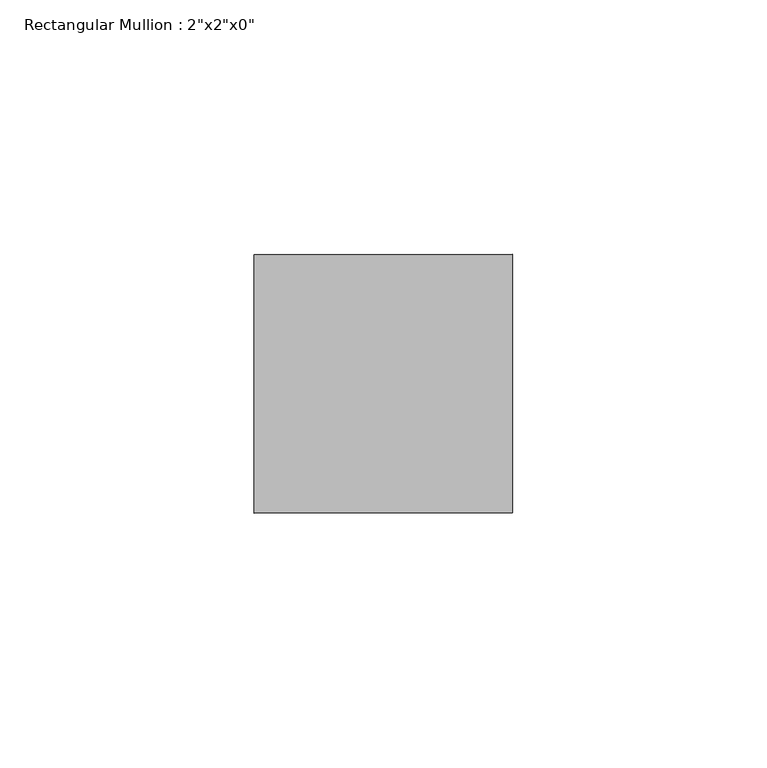
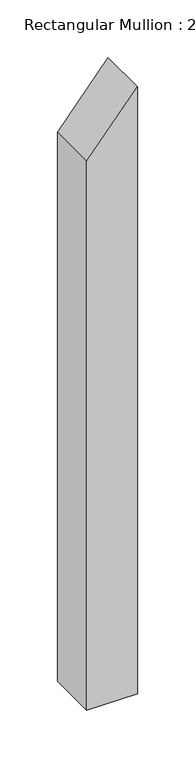
"""IFC4 building model written with IfcOpenShell, lengths in millimetres: member geometry."""

from ifc_helpers import new_model, si_unit, frame, origin, place, context, project, spatial, polyline, outline, extrude, source, transform, mapped, element, save


def member_96c088e7(model_context):
    return source(origin(), model_context, "Body", "SweptSolid", [
        extrude(outline(polyline([(-9.185186, 25.4), (-70.2391876, -25.4), (-651.3210184, -25.4), (-651.3210184, 25.4), (-9.185186, 25.4)])), frame((0.0, -25.4, 0.0), z_axis=(0.0, 1.0, 0.0), x_axis=(0.0, 0.0, 1.0)), (0.0, 0.0, 1.0), 50.8),
    ])


if __name__ == "__main__":
    model = new_model("IFC4")
    model_context = context("Model", 3, world=origin())
    ifc_project = project(units=[si_unit("LENGTHUNIT", "METRE", prefix="MILLI")], contexts=[model_context])
    site = spatial("IfcSite", under=ifc_project)
    building = spatial("IfcBuilding", under=site)
    placement = place(None, origin())
    member_shape = member_96c088e7(model_context)
    element("IfcMember", 1, ObjectType="Rectangular Mullion : 2\"x2\"x0\"", at=placement, inside=building, context=model_context, shape_type="MappedRepresentation", body=[
        mapped(member_shape, transform((0.0, 0.0, 0.0), x_axis=(1.0, 0.0, 0.0), y_axis=(0.0, 1.0, 0.0), z_axis=(0.0, 0.0, 1.0))),
    ])
    save(model, "model.ifc")
